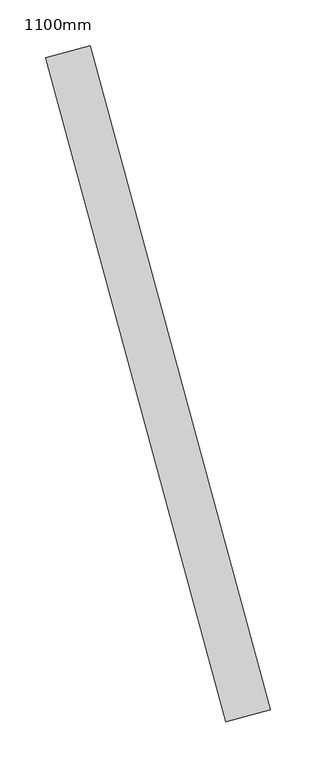
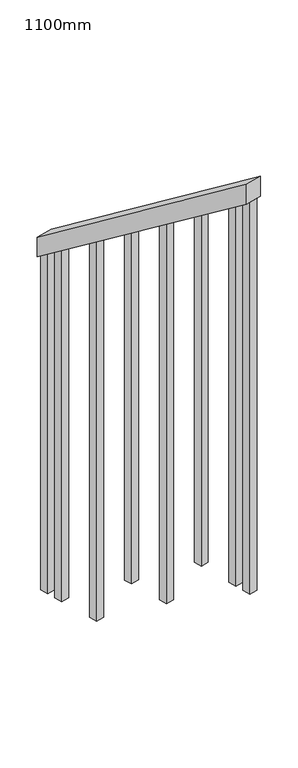
"""IFC4 building model written with IfcOpenShell, lengths in millimetres: railing geometry, 1100mm."""

from ifc_helpers import new_model, si_unit, frame, origin, place, context, project, spatial, polyline, outline, extrude, source, transform, mapped, element, save


def railing_1100mm_8f2460eb(model_context):
    return source(origin(), model_context, "Body", "SweptSolid", [
        extrude(outline(polyline([(35.5555555, -50.0), (0.0, 0.0), (920.2958461, 0.0), (955.8514016, -50.0), (35.5555555, -50.0)])), frame((126994.8987843, 23480.4063871, 1216.4247214), z_axis=(0.9649894123601868, 0.2622888370341775, 0.0), x_axis=(0.21375368431596228, -0.7864232597554556, 0.5795237863599347)), (0.0, 0.0, 1.0), 50.0),
        extrude(outline(polyline([(1271.980277, 25.0), (1271.980277, 0.0), (91.1111112, 0.0), (108.8888889, 25.0), (1271.980277, 25.0)])), frame((127190.5633379, 22808.1924089, 1805.3136103), z_axis=(0.964989412360187, 0.26228883703417755, 0.0), x_axis=(0.0, 0.0, -1.0)), (0.0, 0.0, 1.0), 25.0),
        extrude(outline(polyline([(1183.0913881, 25.0), (1183.0913881, 0.0), (91.1111111, 0.0), (108.8888889, 25.0), (1183.0913881, 25.0)])), frame((127157.7772332, 22928.8160855, 1716.4247214), z_axis=(0.964989412360187, 0.26228883703417755, 0.0), x_axis=(0.0, 0.0, -1.0)), (0.0, 0.0, 1.0), 25.0),
        extrude(outline(polyline([(1271.9802769, 25.0), (1271.9802769, 0.0), (91.1111111, 0.0), (108.8888889, 25.0), (1271.9802769, 25.0)])), frame((127124.9911286, 23049.439762, 1627.5358325), z_axis=(0.964989412360187, 0.26228883703417755, 0.0), x_axis=(0.0, 0.0, -1.0)), (0.0, 0.0, 1.0), 25.0),
        extrude(outline(polyline([(1183.091388, 25.0), (1183.091388, 0.0), (91.1111111, 0.0), (108.8888889, 25.0), (1183.091388, 25.0)])), frame((127092.205024, 23170.0634386, 1538.6469436), z_axis=(0.964989412360187, 0.26228883703417755, 0.0), x_axis=(0.0, 0.0, -1.0)), (0.0, 0.0, 1.0), 25.0),
        extrude(outline(polyline([(1271.9802769, 25.0), (1271.9802769, 0.0), (91.1111111, 0.0), (108.8888889, 25.0), (1271.9802769, 25.0)])), frame((127059.4189193, 23290.6871151, 1449.7580547), z_axis=(0.964989412360187, 0.26228883703417755, 0.0), x_axis=(0.0, 0.0, -1.0)), (0.0, 0.0, 1.0), 25.0),
        extrude(outline(polyline([(1183.091388, 25.0), (1183.091388, 0.0), (91.1111111, 0.0), (108.8888889, 25.0), (1183.091388, 25.0)])), frame((127026.6328147, 23411.3107917, 1360.8691658), z_axis=(0.964989412360187, 0.26228883703417755, 0.0), x_axis=(0.0, 0.0, -1.0)), (0.0, 0.0, 1.0), 25.0),
        extrude(outline(polyline([(1307.5358325, 25.0), (1307.5358325, 0.0), (91.1111111, 0.0), (108.8888889, 25.0), (1307.5358325, 25.0)])), frame((127203.6777797, 22759.9429383, 1840.8691658), z_axis=(0.964989412360187, 0.26228883703417755, 0.0), x_axis=(0.0, 0.0, -1.0)), (0.0, 0.0, 1.0), 25.0),
        extrude(outline(polyline([(1147.5358325, 25.0), (1147.5358325, 0.0), (91.1111112, 0.0), (108.8888889, 25.0), (1147.5358325, 25.0)])), frame((127013.5183729, 23459.5602623, 1325.3136103), z_axis=(0.964989412360187, 0.26228883703417755, 0.0), x_axis=(0.0, 0.0, -1.0)), (0.0, 0.0, 1.0), 25.0),
    ])


if __name__ == "__main__":
    model = new_model("IFC4")
    model_context = context("Model", 3, world=origin())
    ifc_project = project(units=[si_unit("LENGTHUNIT", "METRE", prefix="MILLI")], contexts=[model_context])
    site = spatial("IfcSite", under=ifc_project)
    building = spatial("IfcBuilding", under=site)
    placement = place(None, origin())
    railing_1100mm_shape = railing_1100mm_8f2460eb(model_context)
    element("IfcRailing", 1, ObjectType="1100mm", at=placement, inside=building, context=model_context, shape_type="MappedRepresentation", body=[
        mapped(railing_1100mm_shape, transform((0.0, 0.0, 0.0), x_axis=(1.0, 0.0, 0.0), y_axis=(0.0, 1.0, 0.0), z_axis=(0.0, 0.0, 1.0))),
    ])
    save(model, "model.ifc")
